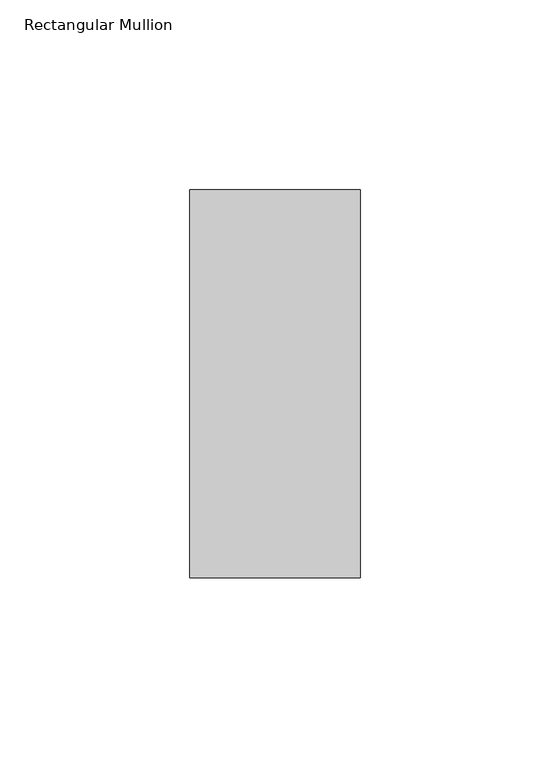
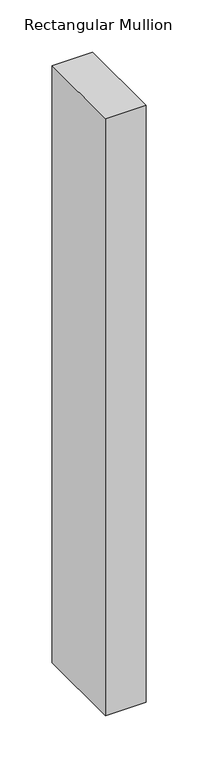
"""IFC4 building model written with IfcOpenShell, lengths in millimetres: member geometry, Rectangular Mullion."""

from ifc_helpers import new_model, si_unit, frame, origin, place, context, project, spatial, polyline, outline, extrude, source, transform, mapped, element, save


def rectangular_mullion_9bd24afb(model_context):
    return source(origin(), model_context, "Body", "SweptSolid", [
        extrude(outline(polyline([(0.0, 66.73125), (0.0, -35.73125), (-45.0, -35.73125), (-45.0, 66.73125), (0.0, 66.73125)])), frame((0.0, 0.0, -699.1158203), z_axis=(0.0, 0.0, 1.0), x_axis=(1.0, 0.0, 0.0)), (0.0, 0.0, 1.0), 699.1158203),
    ])


if __name__ == "__main__":
    model = new_model("IFC4")
    model_context = context("Model", 3, world=origin())
    ifc_project = project(units=[si_unit("LENGTHUNIT", "METRE", prefix="MILLI")], contexts=[model_context])
    site = spatial("IfcSite", under=ifc_project)
    building = spatial("IfcBuilding", under=site)
    placement = place(None, origin())
    rectangular_mullion_shape = rectangular_mullion_9bd24afb(model_context)
    element("IfcMember", 1, ObjectType="Rectangular Mullion", at=placement, inside=building, context=model_context, shape_type="MappedRepresentation", body=[
        mapped(rectangular_mullion_shape, transform((0.0, 0.0, 0.0), x_axis=(1.0, 0.0, 0.0), y_axis=(0.0, 1.0, 0.0), z_axis=(0.0, 0.0, 1.0))),
    ])
    save(model, "model.ifc")
